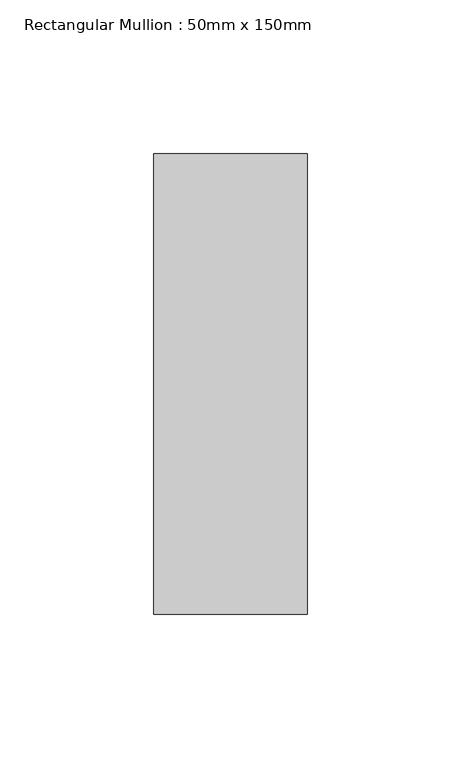
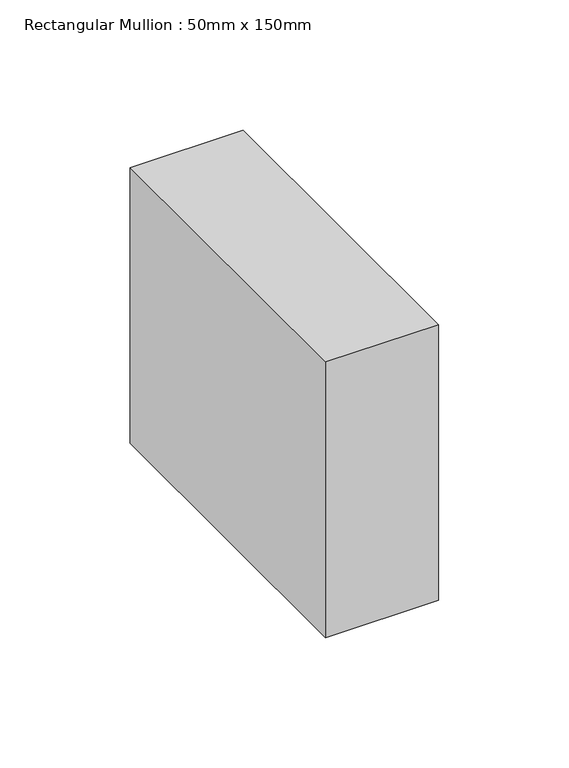
"""IFC4 building model written with IfcOpenShell, lengths in millimetres: member geometry, Rectangular Mullion : 50mm x 150mm."""

from ifc_helpers import new_model, si_unit, frame, origin, place, context, project, spatial, polyline, outline, extrude, source, transform, mapped, element, save


def rectangular_mullion_50mm_x_150mm_25ea3c28(model_context):
    return source(origin(), model_context, "Body", "SweptSolid", [
        extrude(outline(polyline([(25.0, 75.0), (25.0, -75.0), (-25.0, -75.0), (-25.0, 75.0), (25.0, 75.0)])), frame((0.0, 0.0, -129.1289316), z_axis=(0.0, 0.0, 1.0), x_axis=(1.0, 0.0, 0.0)), (0.0, 0.0, 1.0), 129.1289316),
    ])


if __name__ == "__main__":
    model = new_model("IFC4")
    model_context = context("Model", 3, world=origin())
    ifc_project = project(units=[si_unit("LENGTHUNIT", "METRE", prefix="MILLI")], contexts=[model_context])
    site = spatial("IfcSite", under=ifc_project)
    building = spatial("IfcBuilding", under=site)
    placement = place(None, origin())
    rectangular_mullion_50mm_x_150mm_shape = rectangular_mullion_50mm_x_150mm_25ea3c28(model_context)
    element("IfcMember", 1, ObjectType="Rectangular Mullion : 50mm x 150mm", at=placement, inside=building, context=model_context, shape_type="MappedRepresentation", body=[
        mapped(rectangular_mullion_50mm_x_150mm_shape, transform((0.0, 0.0, 0.0), x_axis=(1.0, 0.0, 0.0), y_axis=(0.0, 1.0, 0.0), z_axis=(0.0, 0.0, 1.0))),
    ])
    save(model, "model.ifc")
